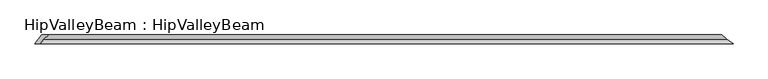
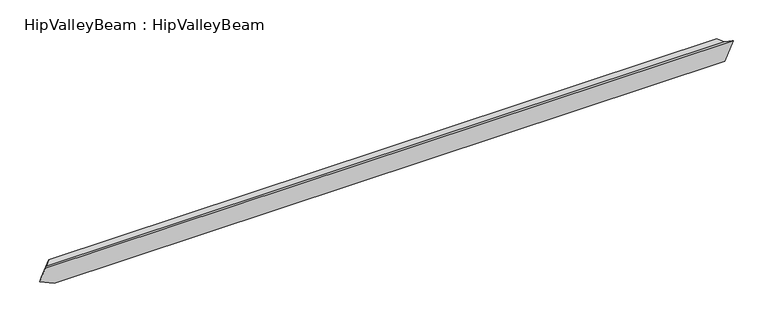
"""IFC4 building model written with IfcOpenShell, lengths in millimetres: beam geometry, HipValleyBeam : HipValleyBeam."""

from ifc_helpers import new_model, si_unit, origin, place, context, project, spatial, faceted_brep, source, transform, mapped, element, save


def hipvalleybeam_hipvalleybeam_afe656c0(model_context):
    return source(origin(), model_context, "Body", "Brep", [
        faceted_brep([(3002.9198464, 40.0, -140.3557131), (3108.7242757, -40.0, -140.3557131), (-3075.1286684, -40.0, -140.3557131), (-3075.1286684, 40.0, -140.3557131), (3082.8253506, 40.0, 39.2885738), (-3147.5926632, 40.0, -108.1238389), (-3082.0238474, 40.0, 39.2885738), (3185.875771, -40.0, 33.0969856), (-3157.234297, -40.0, 33.0969856), (-3208.0816243, -40.0, -81.2184415), (3126.9898165, 0.0, 19.6442869), (-3126.9898165, 0.0, 19.6442869)], [[[0, 1, 2, 3]], [[4, 0, 3, 5, 6]], [[1, 7, 8, 9, 2]], [[1, 0, 4, 10, 7]], [[8, 11, 6, 5, 9]], [[11, 10, 4, 6]], [[3, 2, 9, 5]], [[10, 11, 8, 7]]]),
    ])


if __name__ == "__main__":
    model = new_model("IFC4")
    model_context = context("Model", 3, world=origin())
    ifc_project = project(units=[si_unit("LENGTHUNIT", "METRE", prefix="MILLI")], contexts=[model_context])
    site = spatial("IfcSite", under=ifc_project)
    building = spatial("IfcBuilding", under=site)
    placement = place(None, origin())
    hipvalleybeam_hipvalleybeam_shape = hipvalleybeam_hipvalleybeam_afe656c0(model_context)
    element("IfcBeam", 1, ObjectType="HipValleyBeam : HipValleyBeam", at=placement, inside=building, context=model_context, shape_type="MappedRepresentation", body=[
        mapped(hipvalleybeam_hipvalleybeam_shape, transform((0.0, 0.0, 0.0), x_axis=(1.0, 0.0, 0.0), y_axis=(0.0, 1.0, 0.0), z_axis=(0.0, 0.0, 1.0))),
    ])
    save(model, "model.ifc")
